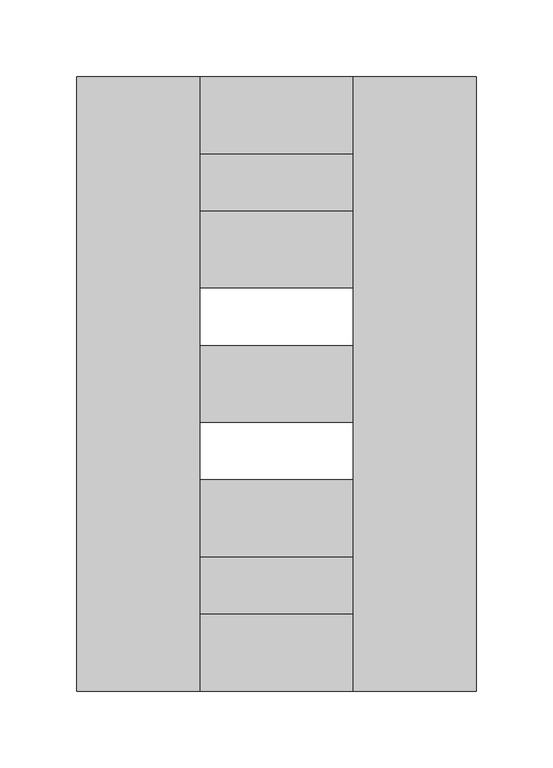
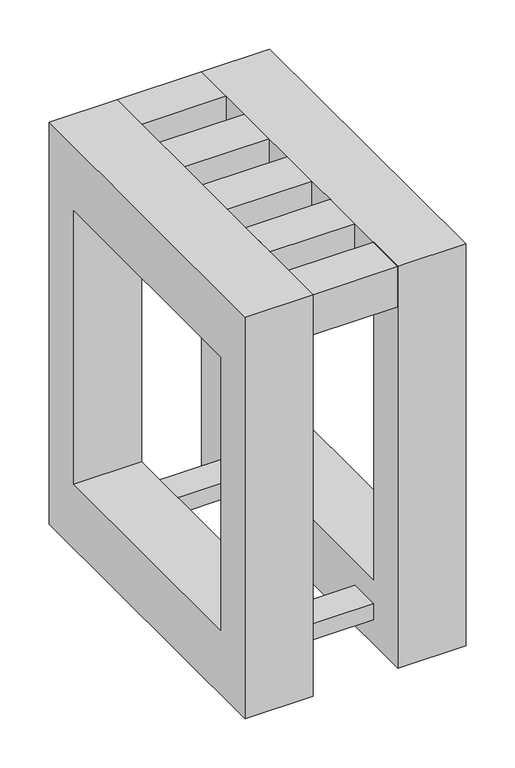
"""IFC4 building model written with IfcOpenShell, lengths in millimetres: furniture geometry."""

from ifc_helpers import new_model, si_unit, frame, origin, place, context, project, spatial, polyline, outline, extrude, source, transform, mapped, element, save


def furniture_ea8b8345(model_context):
    return source(origin(), model_context, "Body", "SweptSolid", [
        extrude(outline(polyline([(-1359.95672, 1136.5928463), (-1459.95672, 1136.5928463), (-1459.95672, 1174.0928463), (-1359.95672, 1174.0928463), (-1359.95672, 1136.5928463)])), frame((0.0, 0.0, 30.0), z_axis=(0.0, 0.0, 1.0), x_axis=(1.0, 0.0, 0.0)), (0.0, 0.0, 1.0), 20.0),
        extrude(outline(polyline([(-1359.95672, 874.0928463), (-1459.95672, 874.0928463), (-1459.95672, 911.5928463), (-1359.95672, 911.5928463), (-1359.95672, 874.0928463)])), frame((0.0, 0.0, 30.0), z_axis=(0.0, 0.0, 1.0), x_axis=(1.0, 0.0, 0.0)), (0.0, 0.0, 1.0), 20.0),
        extrude(outline(polyline([(824.0928463, 500.0), (1224.0928463, 500.0), (1224.0928463, 0.0), (824.0928463, 0.0), (824.0928463, 500.0)]), holes=[polyline([(874.0928463, 420.0), (874.0928463, 80.0), (1174.0928463, 80.0), (1174.0928463, 420.0), (874.0928463, 420.0)])]), frame((-1539.95672, 0.0, 0.0), z_axis=(1.0, 0.0, 0.0), x_axis=(0.0, 1.0, 0.0)), (0.0, 0.0, 1.0), 80.0),
        extrude(outline(polyline([(824.0928463, 500.0), (1224.0928463, 500.0), (1224.0928463, 0.0), (824.0928463, 0.0), (824.0928463, 500.0)]), holes=[polyline([(1174.0928463, 420.0), (874.0928463, 420.0), (874.0928463, 80.0), (1174.0928463, 80.0), (1174.0928463, 420.0)])]), frame((-1359.95672, 0.0, 0.0), z_axis=(1.0, 0.0, 0.0), x_axis=(0.0, 1.0, 0.0)), (0.0, 0.0, 1.0), 80.0),
        extrude(outline(polyline([(-1459.95672, 824.0928463), (-1459.95672, 874.0928463), (-1359.95672, 874.0928463), (-1359.95672, 824.0928463), (-1459.95672, 824.0928463)])), frame((0.0, 0.0, 450.0), z_axis=(0.0, 0.0, 1.0), x_axis=(1.0, 0.0, 0.0)), (0.0, 0.0, 1.0), 50.0),
        extrude(outline(polyline([(-1459.95672, 911.5928463), (-1459.95672, 961.5928463), (-1359.95672, 961.5928463), (-1359.95672, 911.5928463), (-1459.95672, 911.5928463)])), frame((0.0, 0.0, 450.0), z_axis=(0.0, 0.0, 1.0), x_axis=(1.0, 0.0, 0.0)), (0.0, 0.0, 1.0), 50.0),
        extrude(outline(polyline([(-1459.95672, 999.0928463), (-1459.95672, 1049.0928463), (-1359.95672, 1049.0928463), (-1359.95672, 999.0928463), (-1459.95672, 999.0928463)])), frame((0.0, 0.0, 450.0), z_axis=(0.0, 0.0, 1.0), x_axis=(1.0, 0.0, 0.0)), (0.0, 0.0, 1.0), 50.0),
        extrude(outline(polyline([(-1359.95672, 1136.5928463), (-1359.95672, 1086.5928463), (-1459.95672, 1086.5928463), (-1459.95672, 1136.5928463), (-1359.95672, 1136.5928463)])), frame((0.0, 0.0, 450.0), z_axis=(0.0, 0.0, 1.0), x_axis=(1.0, 0.0, 0.0)), (0.0, 0.0, 1.0), 50.0),
        extrude(outline(polyline([(-1459.95672, 1174.0928463), (-1459.95672, 1224.0928463), (-1359.95672, 1224.0928463), (-1359.95672, 1174.0928463), (-1459.95672, 1174.0928463)])), frame((0.0, 0.0, 450.0), z_axis=(0.0, 0.0, 1.0), x_axis=(1.0, 0.0, 0.0)), (0.0, 0.0, 1.0), 50.0),
    ])


if __name__ == "__main__":
    model = new_model("IFC4")
    model_context = context("Model", 3, world=origin())
    ifc_project = project(units=[si_unit("LENGTHUNIT", "METRE", prefix="MILLI")], contexts=[model_context])
    site = spatial("IfcSite", under=ifc_project)
    building = spatial("IfcBuilding", under=site)
    placement = place(None, origin())
    furniture_shape = furniture_ea8b8345(model_context)
    element("IfcFurniture", 1, at=placement, inside=building, context=model_context, shape_type="MappedRepresentation", body=[
        mapped(furniture_shape, transform((0.0, 0.0, 0.0), x_axis=(1.0, 0.0, 0.0), y_axis=(0.0, 1.0, 0.0), z_axis=(0.0, 0.0, 1.0))),
    ])
    save(model, "model.ifc")
